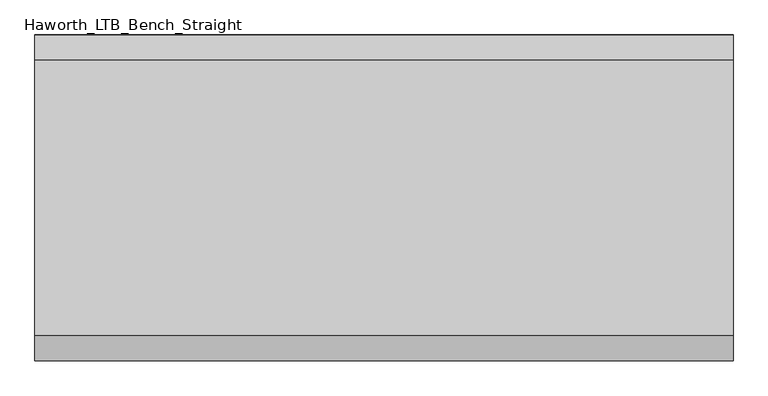
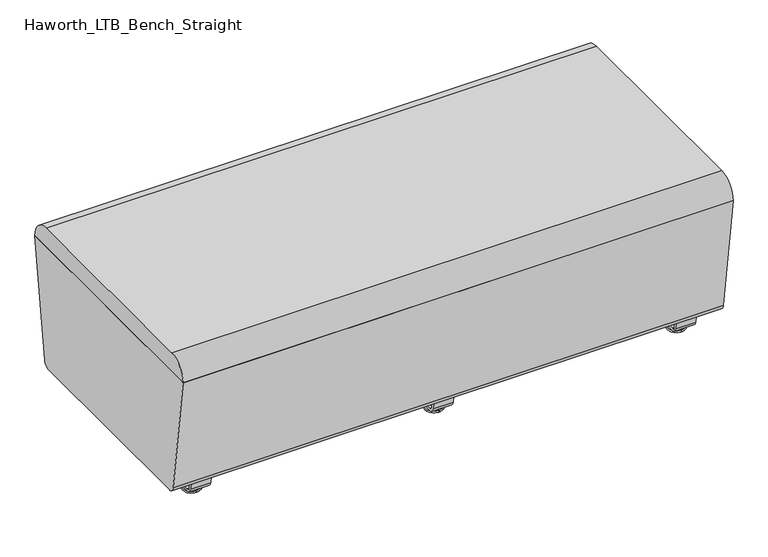
"""IFC4 building model written with IfcOpenShell, lengths in millimetres: furniture geometry, Haworth_LTB_Bench_Straight."""

from ifc_helpers import new_model, si_unit, point, frame, frame_2d, origin, place, context, project, spatial, polyline, circle_curve, ellipse_curve, trimmed, segment, composite_curve, outline, extrude, source, transform, mapped, element, save
from ifc_brep_helpers import plane_surface, cylinder_surface, revolved_surface, advanced_brep


def haworth_ltb_bench_straight_78817514(model_context):
    return source(origin(), model_context, "Body", "SolidModel", [
        advanced_brep(
        [(0.0, -211.0425052, 7.8133431), (0.0, -227.0355515, 7.8133431), (0.0, -223.8015284, 7.8133431), (0.0, -214.2765284, 7.8133431), (0.0, -197.1001513, 4.0775), (0.0, -240.9779054, 4.0775), (0.0, -197.5107026, 0.0), (0.0, -240.5673542, 0.0), (0.0, -219.0390284, 0.0), (0.0, -214.2765284, 50.0000004), (0.0, -223.8015284, 50.0000004), (0.0, -219.0390284, 50.0000004)],
        [
            (0, 1, circle_curve(frame((0.0, -219.0390284, 7.8133431), z_axis=(0.0, 0.0, 1.0), x_axis=(0.0, -1.0, 0.0)), 7.9965232)),
            (1, 2),
            (2, 3, circle_curve(frame((0.0, -219.0390284, 7.8133431), z_axis=(0.0, 0.0, -1.0), x_axis=(0.0, -1.0, 0.0)), 4.7625)),
            (3, 0),
            (1, 0, circle_curve(frame((0.0, -219.0390284, 7.8133431), z_axis=(0.0, 0.0, 1.0), x_axis=(0.0, -1.0, 0.0)), 7.9965232)),
            (3, 2, circle_curve(frame((0.0, -219.0390284, 7.8133431), z_axis=(0.0, 0.0, -1.0), x_axis=(0.0, -1.0, 0.0)), 4.7625)),
            (4, 5, circle_curve(frame((0.0, -219.0390284, 4.0775), z_axis=(0.0, 0.0, 1.0), x_axis=(0.0, -1.0, 0.0)), 21.9388771)),
            (5, 1),
            (0, 4),
            (5, 4, circle_curve(frame((0.0, -219.0390284, 4.0775), z_axis=(0.0, 0.0, 1.0), x_axis=(0.0, -1.0, 0.0)), 21.9388771)),
            (6, 7, circle_curve(frame((0.0, -219.0390284, 0.0), z_axis=(0.0, 0.0, 1.0), x_axis=(0.0, -1.0, 0.0)), 21.5283258)),
            (7, 5, circle_curve(frame((0.0, -240.4405822, 2.0721829), z_axis=(-1.0, 0.0, 0.0), x_axis=(0.0, 1.0, 0.0)), 2.0760571)),
            (4, 6, circle_curve(frame((0.0, -197.6374745, 2.0721829), z_axis=(-1.0, 0.0, 0.0), x_axis=(0.0, -1.0, 0.0)), 2.0760571)),
            (7, 6, circle_curve(frame((0.0, -219.0390284, 0.0), z_axis=(0.0, 0.0, 1.0), x_axis=(0.0, -1.0, 0.0)), 21.5283258)),
            (8, 7),
            (6, 8),
            (9, 10, circle_curve(frame((0.0, -219.0390284, 50.0000004), z_axis=(0.0, 0.0, 1.0), x_axis=(0.0, -1.0, 0.0)), 4.7625)),
            (10, 11),
            (11, 9),
            (10, 9, circle_curve(frame((0.0, -219.0390284, 50.0000004), z_axis=(0.0, 0.0, 1.0), x_axis=(0.0, -1.0, 0.0)), 4.7625)),
            (2, 10),
            (9, 3),
        ],
        [
            plane_surface(frame((0.0, -219.0390284, 7.8133431), z_axis=(0.0, 0.0, 1.0), x_axis=(0.0, -1.0, 0.0))),
            revolved_surface(polyline([(0.0, -227.0355515, 7.8133431), (0.0, -240.9779054, 4.0775)]), (0.0, -219.0390284, 0.0), (0.0, 0.0, -1.0)),
            revolved_surface(trimmed(ellipse_curve(frame((0.0, -240.4405822, 2.0721829), z_axis=(1.0, 0.0, 0.0), x_axis=(0.0, 1.0, 0.0)), 2.0760571, 2.0760571), [point((0.0, -240.9779054, 4.0775))], [point((0.0, -240.5673542, 0.0))], True, "CARTESIAN"), (0.0, -219.0390284, 0.0), (0.0, 0.0, -1.0)),
            plane_surface(frame((0.0, -219.0390284, 0.0), z_axis=(0.0, 0.0, -1.0), x_axis=(0.0, -1.0, 0.0))),
            plane_surface(frame((0.0, -219.0390284, 50.0000004), z_axis=(0.0, 0.0, 1.0), x_axis=(0.0, -1.0, 0.0))),
            cylinder_surface(frame((0.0, -219.0390284, 0.0), z_axis=(0.0, 0.0, -1.0), x_axis=(0.0, -1.0, 0.0)), 4.7625),
        ],
        [
            (0, [[1, 2, 3, 4]]),
            (0, [[5, -4, 6, -2]]),
            (1, [[7, 8, -1, 9]]),
            (1, [[10, -9, -5, -8]]),
            (2, [[11, 12, -7, 13]]),
            (2, [[14, -13, -10, -12]]),
            (3, [[15, -11, 16]]),
            (3, [[-16, -14, -15]]),
            (4, [[17, 18, 19]]),
            (4, [[20, -19, -18]]),
            (5, [[-3, 21, -17, 22]]),
            (5, [[-6, -22, -20, -21]]),
        ],
    ),
        advanced_brep(
        [(0.0, 214.2765284, 7.8133431), (0.0, 223.8015284, 7.8133431), (0.0, 227.0355515, 7.8133431), (0.0, 211.0425052, 7.8133431), (0.0, 240.9779054, 4.0775), (0.0, 197.1001513, 4.0775), (0.0, 240.5673542, 0.0), (0.0, 197.5107026, 0.0), (0.0, 219.0390284, 0.0), (0.0, 219.0390284, 50.0000004), (0.0, 223.8015284, 50.0000004), (0.0, 214.2765284, 50.0000004)],
        [
            (0, 1, circle_curve(frame((0.0, 219.0390284, 7.8133431), z_axis=(0.0, 0.0, -1.0), x_axis=(0.0, 1.0, 0.0)), 4.7625)),
            (1, 2),
            (2, 3, circle_curve(frame((0.0, 219.0390284, 7.8133431), z_axis=(0.0, 0.0, 1.0), x_axis=(0.0, 1.0, 0.0)), 7.9965232)),
            (3, 0),
            (1, 0, circle_curve(frame((0.0, 219.0390284, 7.8133431), z_axis=(0.0, 0.0, -1.0), x_axis=(0.0, 1.0, 0.0)), 4.7625)),
            (3, 2, circle_curve(frame((0.0, 219.0390284, 7.8133431), z_axis=(0.0, 0.0, 1.0), x_axis=(0.0, 1.0, 0.0)), 7.9965232)),
            (2, 4),
            (4, 5, circle_curve(frame((0.0, 219.0390284, 4.0775), z_axis=(0.0, 0.0, 1.0), x_axis=(0.0, 1.0, 0.0)), 21.9388771)),
            (5, 3),
            (5, 4, circle_curve(frame((0.0, 219.0390284, 4.0775), z_axis=(0.0, 0.0, 1.0), x_axis=(0.0, 1.0, 0.0)), 21.9388771)),
            (4, 6, circle_curve(frame((0.0, 240.4405822, 2.0721829), z_axis=(-1.0, 0.0, 0.0), x_axis=(0.0, -1.0, 0.0)), 2.0760571)),
            (6, 7, circle_curve(frame((0.0, 219.0390284, 0.0), z_axis=(0.0, 0.0, 1.0), x_axis=(0.0, 1.0, 0.0)), 21.5283258)),
            (7, 5, circle_curve(frame((0.0, 197.6374745, 2.0721829), z_axis=(-1.0, 0.0, 0.0), x_axis=(0.0, 1.0, 0.0)), 2.0760571)),
            (7, 6, circle_curve(frame((0.0, 219.0390284, 0.0), z_axis=(0.0, 0.0, 1.0), x_axis=(0.0, 1.0, 0.0)), 21.5283258)),
            (6, 8),
            (8, 7),
            (9, 10),
            (10, 11, circle_curve(frame((0.0, 219.0390284, 50.0000004), z_axis=(0.0, 0.0, 1.0), x_axis=(0.0, 1.0, 0.0)), 4.7625)),
            (11, 9),
            (11, 10, circle_curve(frame((0.0, 219.0390284, 50.0000004), z_axis=(0.0, 0.0, 1.0), x_axis=(0.0, 1.0, 0.0)), 4.7625)),
            (10, 1),
            (0, 11),
        ],
        [
            plane_surface(frame((0.0, 219.0390284, 7.8133431), z_axis=(0.0, 0.0, 1.0), x_axis=(0.0, 1.0, 0.0))),
            revolved_surface(polyline([(0.0, 240.9779054, 4.0775), (0.0, 227.0355515, 7.8133431)]), (0.0, 219.0390284, 0.0), (0.0, 0.0, 1.0)),
            revolved_surface(trimmed(ellipse_curve(frame((0.0, 240.4405822, 2.0721829), z_axis=(1.0, 0.0, 0.0), x_axis=(0.0, -1.0, 0.0)), 2.0760571, 2.0760571), [point((0.0, 240.5673542, 0.0))], [point((0.0, 240.9779054, 4.0775))], True, "CARTESIAN"), (0.0, 219.0390284, 0.0), (0.0, 0.0, 1.0)),
            plane_surface(frame((0.0, 219.0390284, 0.0), z_axis=(0.0, 0.0, -1.0), x_axis=(0.0, 1.0, 0.0))),
            plane_surface(frame((0.0, 219.0390284, 50.0000004), z_axis=(0.0, 0.0, 1.0), x_axis=(0.0, 1.0, 0.0))),
            cylinder_surface(frame((0.0, 219.0390284, 0.0), z_axis=(0.0, 0.0, 1.0), x_axis=(0.0, 1.0, 0.0)), 4.7625),
        ],
        [
            (0, [[1, 2, 3, 4]]),
            (0, [[5, -4, 6, -2]]),
            (1, [[-3, 7, 8, 9]]),
            (1, [[-6, -9, 10, -7]]),
            (2, [[-8, 11, 12, 13]]),
            (2, [[-10, -13, 14, -11]]),
            (3, [[-12, 15, 16]]),
            (3, [[-14, -16, -15]]),
            (4, [[17, 18, 19]]),
            (4, [[-19, 20, -17]]),
            (5, [[-18, 21, -1, 22]]),
            (5, [[-20, -22, -5, -21]]),
        ],
    ),
        extrude(outline(composite_curve([segment(polyline([(264.8158944, 62.9950557), (259.8853496, 27.9124042)]), True, "CONTINUOUS"), segment(trimmed(circle_curve(frame_2d((245.0313276, 30.0000007)), 15.000001), [point((259.8853496, 27.9124042))], [point((245.0313276, 14.9999997))], False, "CARTESIAN"), True, "CONTINUOUS"), segment(polyline([(245.0313276, 14.9999997), (-245.0313276, 14.9999997)]), True, "CONTINUOUS"), segment(trimmed(circle_curve(frame_2d((-245.0313276, 30.0000007)), 15.000001), [point((-245.0313276, 14.9999997))], [point((-259.8853496, 27.9124042))], False, "CARTESIAN"), True, "CONTINUOUS"), segment(polyline([(-259.8853496, 27.9124042), (-264.8158944, 62.9950557), (-259.1812615, 63.7869505), (-254.2507241, 28.7043023)]), True, "CONTINUOUS"), segment(trimmed(circle_curve(frame_2d((-245.0313262, 30.0000023)), 9.310002), [point((-254.2507241, 28.7043023))], [point((-245.0313262, 20.6900003))], True, "CARTESIAN"), True, "CONTINUOUS"), segment(polyline([(-245.0313262, 20.6900003), (245.0313262, 20.6900003)]), True, "CONTINUOUS"), segment(trimmed(circle_curve(frame_2d((245.0313262, 30.0000023)), 9.310002), [point((245.0313262, 20.6900003))], [point((254.2507241, 28.7043023))], True, "CARTESIAN"), True, "CONTINUOUS"), segment(polyline([(254.2507241, 28.7043023), (259.1812615, 63.7869505), (264.8158944, 62.9950557)]), True, "CONTINUOUS")], self_intersect=False)), frame((-25.4, 0.0, 0.0), z_axis=(1.0, 0.0, 0.0), x_axis=(0.0, 1.0, 0.0)), (0.0, 0.0, 1.0), 50.8),
        advanced_brep(
        [(616.0045358, -211.0425052, 7.8133431), (616.0045358, -227.0355515, 7.8133431), (616.0045358, -223.8015284, 7.8133431), (616.0045358, -214.2765284, 7.8133431), (616.0045358, -197.1001513, 4.0775), (616.0045358, -240.9779054, 4.0775), (616.0045358, -197.5107026, 0.0), (616.0045358, -240.5673542, 0.0), (616.0045358, -219.0390284, 0.0), (616.0045358, -214.2765284, 50.0000004), (616.0045358, -223.8015284, 50.0000004), (616.0045358, -219.0390284, 50.0000004)],
        [
            (0, 1, circle_curve(frame((616.0045358, -219.0390284, 7.8133431), z_axis=(0.0, 0.0, 1.0), x_axis=(0.0, -1.0, 0.0)), 7.9965232)),
            (1, 2),
            (2, 3, circle_curve(frame((616.0045358, -219.0390284, 7.8133431), z_axis=(0.0, 0.0, -1.0), x_axis=(0.0, -1.0, 0.0)), 4.7625)),
            (3, 0),
            (1, 0, circle_curve(frame((616.0045358, -219.0390284, 7.8133431), z_axis=(0.0, 0.0, 1.0), x_axis=(0.0, -1.0, 0.0)), 7.9965232)),
            (3, 2, circle_curve(frame((616.0045358, -219.0390284, 7.8133431), z_axis=(0.0, 0.0, -1.0), x_axis=(0.0, -1.0, 0.0)), 4.7625)),
            (4, 5, circle_curve(frame((616.0045358, -219.0390284, 4.0775), z_axis=(0.0, 0.0, 1.0), x_axis=(0.0, -1.0, 0.0)), 21.9388771)),
            (5, 1),
            (0, 4),
            (5, 4, circle_curve(frame((616.0045358, -219.0390284, 4.0775), z_axis=(0.0, 0.0, 1.0), x_axis=(0.0, -1.0, 0.0)), 21.9388771)),
            (6, 7, circle_curve(frame((616.0045358, -219.0390284, 0.0), z_axis=(0.0, 0.0, 1.0), x_axis=(0.0, -1.0, 0.0)), 21.5283258)),
            (7, 5, circle_curve(frame((616.0045358, -240.4405822, 2.0721829), z_axis=(-1.0, 0.0, 0.0), x_axis=(0.0, 1.0, 0.0)), 2.0760571)),
            (4, 6, circle_curve(frame((616.0045358, -197.6374745, 2.0721829), z_axis=(-1.0, 0.0, 0.0), x_axis=(0.0, -1.0, 0.0)), 2.0760571)),
            (7, 6, circle_curve(frame((616.0045358, -219.0390284, 0.0), z_axis=(0.0, 0.0, 1.0), x_axis=(0.0, -1.0, 0.0)), 21.5283258)),
            (8, 7),
            (6, 8),
            (9, 10, circle_curve(frame((616.0045358, -219.0390284, 50.0000004), z_axis=(0.0, 0.0, 1.0), x_axis=(0.0, -1.0, 0.0)), 4.7625)),
            (10, 11),
            (11, 9),
            (10, 9, circle_curve(frame((616.0045358, -219.0390284, 50.0000004), z_axis=(0.0, 0.0, 1.0), x_axis=(0.0, -1.0, 0.0)), 4.7625)),
            (2, 10),
            (9, 3),
        ],
        [
            plane_surface(frame((616.0045358, -219.0390284, 7.8133431), z_axis=(0.0, 0.0, 1.0), x_axis=(0.0, -1.0, 0.0))),
            revolved_surface(polyline([(616.0045358, -227.0355515, 7.8133431), (616.0045358, -240.9779054, 4.0775)]), (616.0045358, -219.0390284, 0.0), (0.0, 0.0, -1.0)),
            revolved_surface(trimmed(ellipse_curve(frame((616.0045358, -240.4405822, 2.0721829), z_axis=(1.0, 0.0, 0.0), x_axis=(0.0, 1.0, 0.0)), 2.0760571, 2.0760571), [point((616.0045358, -240.9779054, 4.0775))], [point((616.0045358, -240.5673542, 0.0))], True, "CARTESIAN"), (616.0045358, -219.0390284, 0.0), (0.0, 0.0, -1.0)),
            plane_surface(frame((616.0045358, -219.0390284, 0.0), z_axis=(0.0, 0.0, -1.0), x_axis=(0.0, -1.0, 0.0))),
            plane_surface(frame((616.0045358, -219.0390284, 50.0000004), z_axis=(0.0, 0.0, 1.0), x_axis=(0.0, -1.0, 0.0))),
            cylinder_surface(frame((616.0045358, -219.0390284, 0.0), z_axis=(0.0, 0.0, -1.0), x_axis=(0.0, -1.0, 0.0)), 4.7625),
        ],
        [
            (0, [[1, 2, 3, 4]]),
            (0, [[5, -4, 6, -2]]),
            (1, [[7, 8, -1, 9]]),
            (1, [[10, -9, -5, -8]]),
            (2, [[11, 12, -7, 13]]),
            (2, [[14, -13, -10, -12]]),
            (3, [[15, -11, 16]]),
            (3, [[-16, -14, -15]]),
            (4, [[17, 18, 19]]),
            (4, [[20, -19, -18]]),
            (5, [[-3, 21, -17, 22]]),
            (5, [[-6, -22, -20, -21]]),
        ],
    ),
        advanced_brep(
        [(616.0045358, 214.2765284, 7.8133431), (616.0045358, 223.8015284, 7.8133431), (616.0045358, 227.0355515, 7.8133431), (616.0045358, 211.0425052, 7.8133431), (616.0045358, 240.9779054, 4.0775), (616.0045358, 197.1001513, 4.0775), (616.0045358, 240.5673542, 0.0), (616.0045358, 197.5107026, 0.0), (616.0045358, 219.0390284, 0.0), (616.0045358, 219.0390284, 50.0000004), (616.0045358, 223.8015284, 50.0000004), (616.0045358, 214.2765284, 50.0000004)],
        [
            (0, 1, circle_curve(frame((616.0045358, 219.0390284, 7.8133431), z_axis=(0.0, 0.0, -1.0), x_axis=(0.0, 1.0, 0.0)), 4.7625)),
            (1, 2),
            (2, 3, circle_curve(frame((616.0045358, 219.0390284, 7.8133431), z_axis=(0.0, 0.0, 1.0), x_axis=(0.0, 1.0, 0.0)), 7.9965232)),
            (3, 0),
            (1, 0, circle_curve(frame((616.0045358, 219.0390284, 7.8133431), z_axis=(0.0, 0.0, -1.0), x_axis=(0.0, 1.0, 0.0)), 4.7625)),
            (3, 2, circle_curve(frame((616.0045358, 219.0390284, 7.8133431), z_axis=(0.0, 0.0, 1.0), x_axis=(0.0, 1.0, 0.0)), 7.9965232)),
            (2, 4),
            (4, 5, circle_curve(frame((616.0045358, 219.0390284, 4.0775), z_axis=(0.0, 0.0, 1.0), x_axis=(0.0, 1.0, 0.0)), 21.9388771)),
            (5, 3),
            (5, 4, circle_curve(frame((616.0045358, 219.0390284, 4.0775), z_axis=(0.0, 0.0, 1.0), x_axis=(0.0, 1.0, 0.0)), 21.9388771)),
            (4, 6, circle_curve(frame((616.0045358, 240.4405822, 2.0721829), z_axis=(-1.0, 0.0, 0.0), x_axis=(0.0, -1.0, 0.0)), 2.0760571)),
            (6, 7, circle_curve(frame((616.0045358, 219.0390284, 0.0), z_axis=(0.0, 0.0, 1.0), x_axis=(0.0, 1.0, 0.0)), 21.5283258)),
            (7, 5, circle_curve(frame((616.0045358, 197.6374745, 2.0721829), z_axis=(-1.0, 0.0, 0.0), x_axis=(0.0, 1.0, 0.0)), 2.0760571)),
            (7, 6, circle_curve(frame((616.0045358, 219.0390284, 0.0), z_axis=(0.0, 0.0, 1.0), x_axis=(0.0, 1.0, 0.0)), 21.5283258)),
            (6, 8),
            (8, 7),
            (9, 10),
            (10, 11, circle_curve(frame((616.0045358, 219.0390284, 50.0000004), z_axis=(0.0, 0.0, 1.0), x_axis=(0.0, 1.0, 0.0)), 4.7625)),
            (11, 9),
            (11, 10, circle_curve(frame((616.0045358, 219.0390284, 50.0000004), z_axis=(0.0, 0.0, 1.0), x_axis=(0.0, 1.0, 0.0)), 4.7625)),
            (10, 1),
            (0, 11),
        ],
        [
            plane_surface(frame((616.0045358, 219.0390284, 7.8133431), z_axis=(0.0, 0.0, 1.0), x_axis=(0.0, 1.0, 0.0))),
            revolved_surface(polyline([(616.0045358, 240.9779054, 4.0775), (616.0045358, 227.0355515, 7.8133431)]), (616.0045358, 219.0390284, 0.0), (0.0, 0.0, 1.0)),
            revolved_surface(trimmed(ellipse_curve(frame((616.0045358, 240.4405822, 2.0721829), z_axis=(1.0, 0.0, 0.0), x_axis=(0.0, -1.0, 0.0)), 2.0760571, 2.0760571), [point((616.0045358, 240.5673542, 0.0))], [point((616.0045358, 240.9779054, 4.0775))], True, "CARTESIAN"), (616.0045358, 219.0390284, 0.0), (0.0, 0.0, 1.0)),
            plane_surface(frame((616.0045358, 219.0390284, 0.0), z_axis=(0.0, 0.0, -1.0), x_axis=(0.0, 1.0, 0.0))),
            plane_surface(frame((616.0045358, 219.0390284, 50.0000004), z_axis=(0.0, 0.0, 1.0), x_axis=(0.0, 1.0, 0.0))),
            cylinder_surface(frame((616.0045358, 219.0390284, 0.0), z_axis=(0.0, 0.0, 1.0), x_axis=(0.0, 1.0, 0.0)), 4.7625),
        ],
        [
            (0, [[1, 2, 3, 4]]),
            (0, [[5, -4, 6, -2]]),
            (1, [[-3, 7, 8, 9]]),
            (1, [[-6, -9, 10, -7]]),
            (2, [[-8, 11, 12, 13]]),
            (2, [[-10, -13, 14, -11]]),
            (3, [[-12, 15, 16]]),
            (3, [[-14, -16, -15]]),
            (4, [[17, 18, 19]]),
            (4, [[-19, 20, -17]]),
            (5, [[-18, 21, -1, 22]]),
            (5, [[-20, -22, -5, -21]]),
        ],
    ),
        extrude(outline(composite_curve([segment(polyline([(264.8158944, 62.9950557), (259.8853496, 27.9124042)]), True, "CONTINUOUS"), segment(trimmed(circle_curve(frame_2d((245.0313276, 30.0000007)), 15.000001), [point((259.8853496, 27.9124042))], [point((245.0313276, 14.9999997))], False, "CARTESIAN"), True, "CONTINUOUS"), segment(polyline([(245.0313276, 14.9999997), (-245.0313276, 14.9999997)]), True, "CONTINUOUS"), segment(trimmed(circle_curve(frame_2d((-245.0313276, 30.0000007)), 15.000001), [point((-245.0313276, 14.9999997))], [point((-259.8853496, 27.9124042))], False, "CARTESIAN"), True, "CONTINUOUS"), segment(polyline([(-259.8853496, 27.9124042), (-264.8158944, 62.9950557), (-259.1812615, 63.7869505), (-254.2507241, 28.7043023)]), True, "CONTINUOUS"), segment(trimmed(circle_curve(frame_2d((-245.0313262, 30.0000023)), 9.310002), [point((-254.2507241, 28.7043023))], [point((-245.0313262, 20.6900003))], True, "CARTESIAN"), True, "CONTINUOUS"), segment(polyline([(-245.0313262, 20.6900003), (245.0313262, 20.6900003)]), True, "CONTINUOUS"), segment(trimmed(circle_curve(frame_2d((245.0313262, 30.0000023)), 9.310002), [point((245.0313262, 20.6900003))], [point((254.2507241, 28.7043023))], True, "CARTESIAN"), True, "CONTINUOUS"), segment(polyline([(254.2507241, 28.7043023), (259.1812615, 63.7869505), (264.8158944, 62.9950557)]), True, "CONTINUOUS")], self_intersect=False)), frame((590.6045358, 0.0, 0.0), z_axis=(1.0, 0.0, 0.0), x_axis=(0.0, 1.0, 0.0)), (0.0, 0.0, 1.0), 50.8),
        advanced_brep(
        [(-616.0045358, -214.2765284, 7.8133431), (-616.0045358, -223.8015284, 7.8133431), (-616.0045358, -227.0355515, 7.8133431), (-616.0045358, -211.0425052, 7.8133431), (-616.0045358, -240.9779054, 4.0775), (-616.0045358, -197.1001513, 4.0775), (-616.0045358, -240.5673542, 0.0), (-616.0045358, -197.5107026, 0.0), (-616.0045358, -219.0390284, 0.0), (-616.0045358, -219.0390284, 50.0000004), (-616.0045358, -223.8015284, 50.0000004), (-616.0045358, -214.2765284, 50.0000004)],
        [
            (0, 1, circle_curve(frame((-616.0045358, -219.0390284, 7.8133431), z_axis=(0.0, 0.0, -1.0), x_axis=(0.0, -1.0, 0.0)), 4.7625)),
            (1, 2),
            (2, 3, circle_curve(frame((-616.0045358, -219.0390284, 7.8133431), z_axis=(0.0, 0.0, 1.0), x_axis=(0.0, -1.0, 0.0)), 7.9965232)),
            (3, 0),
            (1, 0, circle_curve(frame((-616.0045358, -219.0390284, 7.8133431), z_axis=(0.0, 0.0, -1.0), x_axis=(0.0, -1.0, 0.0)), 4.7625)),
            (3, 2, circle_curve(frame((-616.0045358, -219.0390284, 7.8133431), z_axis=(0.0, 0.0, 1.0), x_axis=(0.0, -1.0, 0.0)), 7.9965232)),
            (2, 4),
            (4, 5, circle_curve(frame((-616.0045358, -219.0390284, 4.0775), z_axis=(0.0, 0.0, 1.0), x_axis=(0.0, -1.0, 0.0)), 21.9388771)),
            (5, 3),
            (5, 4, circle_curve(frame((-616.0045358, -219.0390284, 4.0775), z_axis=(0.0, 0.0, 1.0), x_axis=(0.0, -1.0, 0.0)), 21.9388771)),
            (4, 6, circle_curve(frame((-616.0045358, -240.4405822, 2.0721829), z_axis=(1.0, 0.0, 0.0), x_axis=(0.0, 1.0, 0.0)), 2.0760571)),
            (6, 7, circle_curve(frame((-616.0045358, -219.0390284, 0.0), z_axis=(0.0, 0.0, 1.0), x_axis=(0.0, -1.0, 0.0)), 21.5283258)),
            (7, 5, circle_curve(frame((-616.0045358, -197.6374745, 2.0721829), z_axis=(1.0, 0.0, 0.0), x_axis=(0.0, -1.0, 0.0)), 2.0760571)),
            (7, 6, circle_curve(frame((-616.0045358, -219.0390284, 0.0), z_axis=(0.0, 0.0, 1.0), x_axis=(0.0, -1.0, 0.0)), 21.5283258)),
            (6, 8),
            (8, 7),
            (9, 10),
            (10, 11, circle_curve(frame((-616.0045358, -219.0390284, 50.0000004), z_axis=(0.0, 0.0, 1.0), x_axis=(0.0, -1.0, 0.0)), 4.7625)),
            (11, 9),
            (11, 10, circle_curve(frame((-616.0045358, -219.0390284, 50.0000004), z_axis=(0.0, 0.0, 1.0), x_axis=(0.0, -1.0, 0.0)), 4.7625)),
            (10, 1),
            (0, 11),
        ],
        [
            plane_surface(frame((-616.0045358, -219.0390284, 7.8133431), z_axis=(0.0, 0.0, 1.0), x_axis=(0.0, -1.0, 0.0))),
            revolved_surface(polyline([(-616.0045358, -240.9779054, 4.0775), (-616.0045358, -227.0355515, 7.8133431)]), (-616.0045358, -219.0390284, 0.0), (0.0, 0.0, 1.0)),
            revolved_surface(trimmed(ellipse_curve(frame((-616.0045358, -240.4405822, 2.0721829), z_axis=(-1.0, 0.0, 0.0), x_axis=(0.0, 1.0, 0.0)), 2.0760571, 2.0760571), [point((-616.0045358, -240.5673542, 0.0))], [point((-616.0045358, -240.9779054, 4.0775))], True, "CARTESIAN"), (-616.0045358, -219.0390284, 0.0), (0.0, 0.0, 1.0)),
            plane_surface(frame((-616.0045358, -219.0390284, 0.0), z_axis=(0.0, 0.0, -1.0), x_axis=(0.0, -1.0, 0.0))),
            plane_surface(frame((-616.0045358, -219.0390284, 50.0000004), z_axis=(0.0, 0.0, 1.0), x_axis=(0.0, -1.0, 0.0))),
            cylinder_surface(frame((-616.0045358, -219.0390284, 0.0), z_axis=(0.0, 0.0, 1.0), x_axis=(0.0, -1.0, 0.0)), 4.7625),
        ],
        [
            (0, [[1, 2, 3, 4]]),
            (0, [[5, -4, 6, -2]]),
            (1, [[-3, 7, 8, 9]]),
            (1, [[-6, -9, 10, -7]]),
            (2, [[-8, 11, 12, 13]]),
            (2, [[-10, -13, 14, -11]]),
            (3, [[-12, 15, 16]]),
            (3, [[-14, -16, -15]]),
            (4, [[17, 18, 19]]),
            (4, [[-19, 20, -17]]),
            (5, [[-18, 21, -1, 22]]),
            (5, [[-20, -22, -5, -21]]),
        ],
    ),
        advanced_brep(
        [(-616.0045358, 211.0425052, 7.8133431), (-616.0045358, 227.0355515, 7.8133431), (-616.0045358, 223.8015284, 7.8133431), (-616.0045358, 214.2765284, 7.8133431), (-616.0045358, 197.1001513, 4.0775), (-616.0045358, 240.9779054, 4.0775), (-616.0045358, 197.5107026, 0.0), (-616.0045358, 240.5673542, 0.0), (-616.0045358, 219.0390284, 0.0), (-616.0045358, 214.2765284, 50.0000004), (-616.0045358, 223.8015284, 50.0000004), (-616.0045358, 219.0390284, 50.0000004)],
        [
            (0, 1, circle_curve(frame((-616.0045358, 219.0390284, 7.8133431), z_axis=(0.0, 0.0, 1.0), x_axis=(0.0, 1.0, 0.0)), 7.9965232)),
            (1, 2),
            (2, 3, circle_curve(frame((-616.0045358, 219.0390284, 7.8133431), z_axis=(0.0, 0.0, -1.0), x_axis=(0.0, 1.0, 0.0)), 4.7625)),
            (3, 0),
            (1, 0, circle_curve(frame((-616.0045358, 219.0390284, 7.8133431), z_axis=(0.0, 0.0, 1.0), x_axis=(0.0, 1.0, 0.0)), 7.9965232)),
            (3, 2, circle_curve(frame((-616.0045358, 219.0390284, 7.8133431), z_axis=(0.0, 0.0, -1.0), x_axis=(0.0, 1.0, 0.0)), 4.7625)),
            (4, 5, circle_curve(frame((-616.0045358, 219.0390284, 4.0775), z_axis=(0.0, 0.0, 1.0), x_axis=(0.0, 1.0, 0.0)), 21.9388771)),
            (5, 1),
            (0, 4),
            (5, 4, circle_curve(frame((-616.0045358, 219.0390284, 4.0775), z_axis=(0.0, 0.0, 1.0), x_axis=(0.0, 1.0, 0.0)), 21.9388771)),
            (6, 7, circle_curve(frame((-616.0045358, 219.0390284, 0.0), z_axis=(0.0, 0.0, 1.0), x_axis=(0.0, 1.0, 0.0)), 21.5283258)),
            (7, 5, circle_curve(frame((-616.0045358, 240.4405822, 2.0721829), z_axis=(1.0, 0.0, 0.0), x_axis=(0.0, -1.0, 0.0)), 2.0760571)),
            (4, 6, circle_curve(frame((-616.0045358, 197.6374745, 2.0721829), z_axis=(1.0, 0.0, 0.0), x_axis=(0.0, 1.0, 0.0)), 2.0760571)),
            (7, 6, circle_curve(frame((-616.0045358, 219.0390284, 0.0), z_axis=(0.0, 0.0, 1.0), x_axis=(0.0, 1.0, 0.0)), 21.5283258)),
            (8, 7),
            (6, 8),
            (9, 10, circle_curve(frame((-616.0045358, 219.0390284, 50.0000004), z_axis=(0.0, 0.0, 1.0), x_axis=(0.0, 1.0, 0.0)), 4.7625)),
            (10, 11),
            (11, 9),
            (10, 9, circle_curve(frame((-616.0045358, 219.0390284, 50.0000004), z_axis=(0.0, 0.0, 1.0), x_axis=(0.0, 1.0, 0.0)), 4.7625)),
            (2, 10),
            (9, 3),
        ],
        [
            plane_surface(frame((-616.0045358, 219.0390284, 7.8133431), z_axis=(0.0, 0.0, 1.0), x_axis=(0.0, 1.0, 0.0))),
            revolved_surface(polyline([(-616.0045358, 227.0355515, 7.8133431), (-616.0045358, 240.9779054, 4.0775)]), (-616.0045358, 219.0390284, 0.0), (0.0, 0.0, -1.0)),
            revolved_surface(trimmed(ellipse_curve(frame((-616.0045358, 240.4405822, 2.0721829), z_axis=(-1.0, 0.0, 0.0), x_axis=(0.0, -1.0, 0.0)), 2.0760571, 2.0760571), [point((-616.0045358, 240.9779054, 4.0775))], [point((-616.0045358, 240.5673542, 0.0))], True, "CARTESIAN"), (-616.0045358, 219.0390284, 0.0), (0.0, 0.0, -1.0)),
            plane_surface(frame((-616.0045358, 219.0390284, 0.0), z_axis=(0.0, 0.0, -1.0), x_axis=(0.0, 1.0, 0.0))),
            plane_surface(frame((-616.0045358, 219.0390284, 50.0000004), z_axis=(0.0, 0.0, 1.0), x_axis=(0.0, 1.0, 0.0))),
            cylinder_surface(frame((-616.0045358, 219.0390284, 0.0), z_axis=(0.0, 0.0, -1.0), x_axis=(0.0, 1.0, 0.0)), 4.7625),
        ],
        [
            (0, [[1, 2, 3, 4]]),
            (0, [[5, -4, 6, -2]]),
            (1, [[7, 8, -1, 9]]),
            (1, [[10, -9, -5, -8]]),
            (2, [[11, 12, -7, 13]]),
            (2, [[14, -13, -10, -12]]),
            (3, [[15, -11, 16]]),
            (3, [[-16, -14, -15]]),
            (4, [[17, 18, 19]]),
            (4, [[20, -19, -18]]),
            (5, [[-3, 21, -17, 22]]),
            (5, [[-6, -22, -20, -21]]),
        ],
    ),
        extrude(outline(composite_curve([segment(polyline([(264.8158944, 62.9950557), (259.8853496, 27.9124042)]), True, "CONTINUOUS"), segment(trimmed(circle_curve(frame_2d((245.0313276, 30.0000007)), 15.000001), [point((259.8853496, 27.9124042))], [point((245.0313276, 14.9999997))], False, "CARTESIAN"), True, "CONTINUOUS"), segment(polyline([(245.0313276, 14.9999997), (-245.0313276, 14.9999997)]), True, "CONTINUOUS"), segment(trimmed(circle_curve(frame_2d((-245.0313276, 30.0000007)), 15.000001), [point((-245.0313276, 14.9999997))], [point((-259.8853496, 27.9124042))], False, "CARTESIAN"), True, "CONTINUOUS"), segment(polyline([(-259.8853496, 27.9124042), (-264.8158944, 62.9950557), (-259.1812615, 63.7869505), (-254.2507241, 28.7043023)]), True, "CONTINUOUS"), segment(trimmed(circle_curve(frame_2d((-245.0313262, 30.0000023)), 9.310002), [point((-254.2507241, 28.7043023))], [point((-245.0313262, 20.6900003))], True, "CARTESIAN"), True, "CONTINUOUS"), segment(polyline([(-245.0313262, 20.6900003), (245.0313262, 20.6900003)]), True, "CONTINUOUS"), segment(trimmed(circle_curve(frame_2d((245.0313262, 30.0000023)), 9.310002), [point((245.0313262, 20.6900003))], [point((254.2507241, 28.7043023))], True, "CARTESIAN"), True, "CONTINUOUS"), segment(polyline([(254.2507241, 28.7043023), (259.1812615, 63.7869505), (264.8158944, 62.9950557)]), True, "CONTINUOUS")], self_intersect=False)), frame((-641.4045358, 0.0, 0.0), z_axis=(1.0, 0.0, 0.0), x_axis=(0.0, 1.0, 0.0)), (0.0, 0.0, 1.0), 50.8),
        extrude(outline(composite_curve([segment(trimmed(circle_curve(frame_2d((264.0390314, 68.9999996)), 18.9999992), [point((282.8541239, 66.3557108))], [point((264.0390314, 50.0000004))], False, "CARTESIAN"), True, "CONTINUOUS"), segment(polyline([(264.0390314, 50.0000004), (-264.0390314, 50.0000004)]), True, "CONTINUOUS"), segment(trimmed(circle_curve(frame_2d((-264.0390314, 68.9999996)), 18.9999992), [point((-264.0390314, 50.0000004))], [point((-282.8541239, 66.3557108))], False, "CARTESIAN"), True, "CONTINUOUS"), segment(polyline([(-282.8541239, 66.3557108), (-326.1820603, 374.65), (326.1820603, 374.65), (282.8541239, 66.3557108)]), True, "CONTINUOUS")], self_intersect=False)), frame((-698.5, 0.0, 0.0), z_axis=(1.0, 0.0, 0.0), x_axis=(0.0, 1.0, 0.0)), (0.0, 0.0, 1.0), 1397.0),
        extrude(outline(composite_curve([segment(trimmed(circle_curve(frame_2d((276.2364582, 375.0527771)), 49.9472261), [point((276.2364583, 425.0000032))], [point((326.1820603, 374.65))], False, "CARTESIAN"), True, "CONTINUOUS"), segment(polyline([(326.1820603, 374.65), (-326.1820603, 374.65)]), True, "CONTINUOUS"), segment(trimmed(circle_curve(frame_2d((-276.2364582, 375.0527771)), 49.9472261), [point((-326.1820603, 374.65))], [point((-276.2364582, 425.0000032))], False, "CARTESIAN"), True, "CONTINUOUS"), segment(polyline([(-276.2364582, 425.0000032), (276.2364583, 425.0000032)]), True, "CONTINUOUS")], self_intersect=False)), frame((-698.5, 0.0, 0.0), z_axis=(1.0, 0.0, 0.0), x_axis=(0.0, 1.0, 0.0)), (0.0, 0.0, 1.0), 1397.0),
    ])


if __name__ == "__main__":
    model = new_model("IFC4")
    model_context = context("Model", 3, world=origin())
    ifc_project = project(units=[si_unit("LENGTHUNIT", "METRE", prefix="MILLI")], contexts=[model_context])
    site = spatial("IfcSite", under=ifc_project)
    building = spatial("IfcBuilding", under=site)
    placement = place(None, origin())
    haworth_ltb_bench_straight_shape = haworth_ltb_bench_straight_78817514(model_context)
    element("IfcFurniture", 1, ObjectType="Haworth_LTB_Bench_Straight", at=placement, inside=building, context=model_context, shape_type="MappedRepresentation", body=[
        mapped(haworth_ltb_bench_straight_shape, transform((0.0, 0.0, 0.0), x_axis=(1.0, 0.0, 0.0), y_axis=(0.0, 1.0, 0.0), z_axis=(0.0, 0.0, 1.0))),
    ])
    save(model, "model.ifc")
